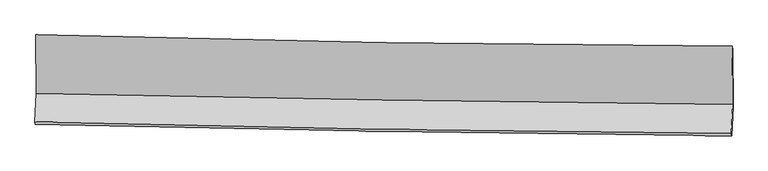
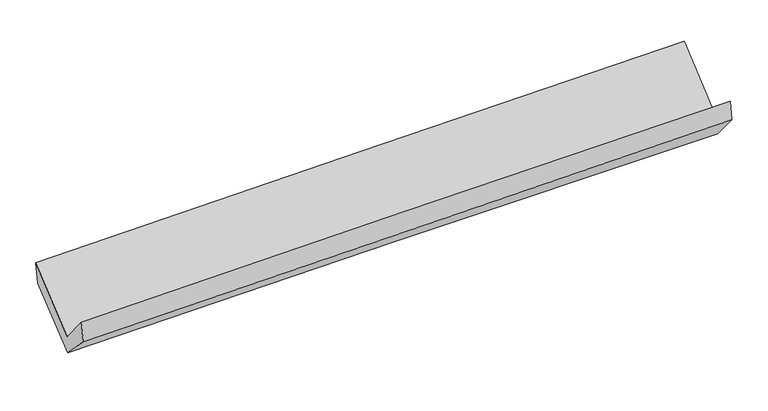
"""IFC4 building model written with IfcOpenShell, lengths in millimetres: proxy geometry."""

from ifc_helpers import new_model, si_unit, frame, origin, place, context, project, spatial, source, transform, mapped, element, save
from ifc_brep_helpers import plane_surface, spline_curve, spline_surface, advanced_brep


def generic_models_97756c32(model_context):
    return source(origin(), model_context, "Body", "AdvancedBrep", [
        advanced_brep(
        [(-3024.8276718, -1166.7125333, 2163.0971258), (-3022.3147148, -1675.309998, 1735.4715573), (3013.0636379, -1770.0183133, 1872.2588672), (3008.7357422, -1266.5582133, 2310.3901705), (-3032.8656507, -1923.1800952, 2033.1218225), (3002.3159595, -2022.5104252, 2175.459394), (-3029.0600481, -1946.8689254, 1854.6888782), (3006.2432202, -2045.4657717, 2004.4947317), (-3018.6250595, -1677.6864776, 1575.4153269), (3016.8650511, -1792.0524988, 1706.8696099), (-3020.8877886, -1195.6045521, 1975.6235017), (3013.0606748, -1295.6310825, 2120.1327559)],
        [
            (0, 1),
            (1, 2, spline_curve(3, [(-3022.3147148, -1675.309998, 1735.4715573), (-2016.610977223, -1698.874516386, 1767.954844304), (-1010.729055356, -1718.549786258, 1795.596497316), (1001.063845026, -1750.1166947, 1841.1891173), (2006.974707217, -1762.010862675, 1859.143234429), (3013.0636379, -1770.0183133, 1872.2588672)], [4, 2, 4], [0.0, 9.90499878105887, 19.80677505863943])),
            (2, 3),
            (3, 0, spline_curve(3, [(3008.7357422, -1266.5582133, 2310.3901705), (2002.811898222, -1262.111647712, 2299.909553214), (997.134788525, -1251.570236934, 2282.397965424), (-1014.053176634, -1218.292311646, 2233.304861073), (-2019.563871678, -1195.551828701, 2201.718767373), (-3024.8276718, -1166.7125333, 2163.0971258)], [4, 2, 4], [0.0, 9.901776277580561, 19.80677505863943])),
            (1, 4),
            (4, 5, spline_curve(3, [(-3032.8656507, -1923.1800952, 2033.1218225), (-2027.343261862, -1951.004985263, 2070.721098923), (-1021.568399776, -1973.195388025, 2101.383002776), (990.158967708, -2006.301832054, 2148.824346459), (1996.111309194, -2017.221539548, 2165.608299924), (3002.3159595, -2022.5104252, 2175.459394)], [4, 2, 4], [0.0, 9.906209946500196, 19.80919699548015])),
            (5, 2),
            (4, 6),
            (6, 7, spline_curve(3, [(-3029.0600481, -1946.8689254, 1854.6888782), (-2023.155294153, -1968.404236985, 1881.827860103), (-1017.179139322, -1987.389218779, 1907.883026812), (994.588663476, -2020.253174952, 1957.81760598), (2000.380264683, -2034.133808886, 1981.697723785), (3006.2432202, -2045.4657717, 2004.4947317)], [4, 2, 4], [0.0, 9.90633329838557, 19.80944365911946])),
            (7, 5),
            (6, 8),
            (8, 9, spline_curve(3, [(-3018.6250595, -1677.6864776, 1575.4153269), (-2012.771132881, -1696.587614111, 1605.6093489), (-1006.804812584, -1715.570247867, 1631.661991829), (1005.0252974, -1753.692308187, 1675.477391935), (2010.889013822, -1772.831681167, 1693.242843058), (3016.8650511, -1792.0524988, 1706.8696099)], [4, 2, 4], [0.0, 9.906472369359639, 19.80972175582209])),
            (9, 7),
            (8, 10),
            (10, 11, spline_curve(3, [(-3020.8877886, -1195.6045521, 1975.6235017), (-2015.165128224, -1213.641748224, 2003.268757074), (-1009.392942713, -1230.997135684, 2029.135492443), (1001.923243943, -1264.338868715, 2077.30408707), (2007.467212762, -1280.32565834, 2099.607102835), (3013.0606748, -1295.6310825, 2120.1327559)], [4, 2, 4], [0.0, 9.90528482072814, 19.8073470449175])),
            (11, 9),
            (10, 0),
            (3, 11),
        ],
        [
            spline_surface(3, 3, [[(-3024.8276718, -1166.7125333, 2163.0971258), (-2019.56387168, -1195.551828762, 2201.718767319), (-1014.053176712, -1218.292311491, 2233.304861046), (997.134788603, -1251.57023709, 2282.397965451), (2002.811898253, -1262.111647675, 2299.909553291), (3008.7357422, -1266.5582133, 2310.3901705)], [(-3023.990019464, -1336.245021526, 2020.555269635), (-2018.579573525, -1363.326057914, 2057.130792962), (-1012.945136207, -1385.044803125, 2087.40207311), (998.44447406, -1417.752389592, 2135.328349419), (2004.199501214, -1428.7447194, 2152.987446972), (3010.178374096, -1434.378246639, 2164.346402737)], [(-3023.152367136, -1505.777509774, 1878.013413465), (-2017.595275378, -1531.10028709, 1912.542818602), (-1011.837095756, -1551.797294743, 1941.499285186), (999.754159464, -1583.934542078, 1988.258733398), (2005.587104188, -1595.377791109, 2006.065340642), (3011.621006004, -1602.198279961, 2018.302634963)], [(-3022.3147148, -1675.309998, 1735.4715573), (-2016.610977223, -1698.874516242, 1767.954844245), (-1010.729055252, -1718.549786378, 1795.59649725), (1001.063844922, -1750.11669458, 1841.189117366), (2006.974707149, -1762.010862834, 1859.143234324), (3013.0636379, -1770.0183133, 1872.2588672)]], [4, 4], [4, 2, 4], [0.0, 2.1825332607499774], [0.0, 9.90499878105887, 19.80677505863943]),
            spline_surface(3, 3, [[(-3022.3147148, -1675.309998, 1735.4715573), (-2016.610977223, -1698.874516242, 1767.954844245), (-1010.729055252, -1718.549786378, 1795.59649725), (1001.063844922, -1750.11669458, 1841.189117366), (2006.974707149, -1762.010862834, 1859.143234324), (3013.0636379, -1770.0183133, 1872.2588672)], [(-3025.831693431, -1757.933363739, 1834.688312353), (-2020.188405407, -1782.918005912, 1868.876929102), (-1014.342170142, -1803.431653565, 1897.52533239), (997.428885864, -1835.511740483, 1943.734193765), (2003.353574521, -1847.081088406, 1961.29825618), (3009.481078438, -1854.1823506, 1973.32570947)], [(-3029.348672069, -1840.556729461, 1933.905067447), (-2023.765833598, -1866.961495563, 1969.799014002), (-1017.95528498, -1888.313520677, 1999.45416753), (993.79392686, -1920.906786312, 2046.279270165), (1999.732441879, -1932.15131398, 2063.453278026), (3005.898518962, -1938.3463879, 2074.39255173)], [(-3032.8656507, -1923.1800952, 2033.1218225), (-2027.343261782, -1951.004985233, 2070.721098859), (-1021.568399871, -1973.195387864, 2101.38300267), (990.158967802, -2006.301832215, 2148.824346565), (1996.111309251, -2017.221539553, 2165.608299882), (3002.3159595, -2022.5104252, 2175.459394)]], [4, 4], [4, 2, 4], [0.0, 1.3099817183162485], [0.0, 9.906209946500196, 19.80919699548015]),
            spline_surface(3, 3, [[(-3032.8656507, -1923.1800952, 2033.1218225), (-2027.343261782, -1951.004985233, 2070.721098859), (-1021.568399871, -1973.195387864, 2101.38300267), (990.158967802, -2006.301832215, 2148.824346565), (1996.111309251, -2017.221539553, 2165.608299882), (3002.3159595, -2022.5104252, 2175.459394)], [(-3031.597116507, -1931.076371922, 1973.644174402), (-2025.94727254, -1956.804735854, 2007.756685889), (-1020.105312982, -1977.926664806, 2036.883010693), (991.635532986, -2010.952279795, 2085.155433087), (1997.534294351, -2022.858962623, 2104.304774516), (3003.625046381, -2030.162207357, 2118.471173215)], [(-3030.328582293, -1938.972648678, 1914.166526298), (-2024.551283278, -1962.604486508, 1944.792272913), (-1018.642226091, -1982.657941791, 1972.383018676), (993.112098173, -2015.602727419, 2021.486519571), (1998.957279507, -2028.496385723, 2043.001249206), (3004.934133319, -2037.813989543, 2061.482952485)], [(-3029.0600481, -1946.8689254, 1854.6888782), (-2023.155294036, -1968.404237129, 1881.827859943), (-1017.179139203, -1987.389218733, 1907.883026699), (994.588663356, -2020.253174999, 1957.817606093), (2000.380264607, -2034.133808793, 1981.69772384), (3006.2432202, -2045.4657717, 2004.4947317)]], [4, 4], [4, 2, 4], [0.0, 0.6326067790586039], [0.0, 9.90633329838557, 19.80944365911946]),
            spline_surface(3, 3, [[(-3029.0600481, -1946.8689254, 1854.6888782), (-2023.155294036, -1968.404237129, 1881.827859943), (-1017.179139203, -1987.389218733, 1907.883026699), (994.588663356, -2020.253174999, 1957.817606093), (2000.380264607, -2034.133808793, 1981.69772384), (3006.2432202, -2045.4657717, 2004.4947317)], [(-3025.581718569, -1857.141442812, 1761.597694426), (-2019.693907024, -1877.79869613, 1789.755022871), (-1013.721030316, -1896.782895137, 1815.809348402), (998.067541397, -1931.399552677, 1863.704201348), (2003.883181037, -1947.033099608, 1885.546096933), (3009.783830522, -1960.99468073, 1905.286357762)], [(-3022.103389031, -1767.413960188, 1668.506510674), (-2016.232520005, -1787.193155095, 1697.682185822), (-1010.262921489, -1806.176571579, 1723.735670154), (1001.546419378, -1842.545930393, 1769.590796653), (2007.3860974, -1859.932390433, 1789.394470038), (3013.324440778, -1876.52358977, 1806.077983838)], [(-3018.6250595, -1677.6864776, 1575.4153269), (-2012.771132992, -1696.587614096, 1605.60934875), (-1006.804812602, -1715.570247983, 1631.661991856), (1005.025297418, -1753.692308071, 1675.477391908), (2010.88901383, -1772.831681248, 1693.242843131), (3016.8650511, -1792.0524988, 1706.8696099)]], [4, 4], [4, 2, 4], [0.0, 1.2730718172421562], [0.0, 9.906472369359639, 19.80972175582209]),
            spline_surface(3, 3, [[(-3018.6250595, -1677.6864776, 1575.4153269), (-2012.771132992, -1696.587614096, 1605.60934875), (-1006.804812602, -1715.570247983, 1631.661991856), (1005.025297418, -1753.692308071, 1675.477391908), (2010.88901383, -1772.831681248, 1693.242843131), (3016.8650511, -1792.0524988, 1706.8696099)], [(-3019.379302526, -1516.99250242, 1708.818051828), (-2013.569131423, -1535.605658771, 1738.162484871), (-1007.667522646, -1554.045877202, 1764.153158787), (1003.991279605, -1590.574495004, 1809.419623608), (2009.748413493, -1608.66300688, 1828.697596384), (3015.596925666, -1626.578693351, 1844.623991916)], [(-3020.133545574, -1356.29852728, 1842.220776772), (-2014.367129875, -1374.623703485, 1870.715621007), (-1008.530232697, -1392.521506366, 1896.644325646), (1002.957261784, -1427.456681882, 1943.361855236), (2008.607813158, -1444.494332561, 1964.152349589), (3014.328800234, -1461.104887949, 1982.378373884)], [(-3020.8877886, -1195.6045521, 1975.6235017), (-2015.165128307, -1213.64174816, 2003.268757128), (-1009.392942741, -1230.997135584, 2029.135492577), (1001.923243971, -1264.338868815, 2077.304086936), (2007.467212822, -1280.325658193, 2099.607102842), (3013.0606748, -1295.6310825, 2120.1327559)]], [4, 4], [4, 2, 4], [0.0, 2.0668255073616444], [0.0, 9.90528482072814, 19.8073470449175]),
            spline_surface(3, 3, [[(-3020.8877886, -1195.6045521, 1975.6235017), (-2015.165128307, -1213.64174816, 2003.268757128), (-1009.392942741, -1230.997135584, 2029.135492577), (1001.923243971, -1264.338868815, 2077.304086936), (2007.467212822, -1280.325658193, 2099.607102842), (3013.0606748, -1295.6310825, 2120.1327559)], [(-3022.201083003, -1185.973879181, 2038.114709756), (-2016.631376101, -1207.611775042, 2069.418760548), (-1010.946354086, -1226.762194198, 2097.191948717), (1000.32709216, -1260.082658218, 2145.668713091), (2005.915441295, -1274.254321378, 2166.374586325), (3011.619030596, -1285.940126125, 2183.5518941)], [(-3023.514377397, -1176.343206219, 2100.605917744), (-2018.097623885, -1201.58180188, 2135.568763899), (-1012.499765367, -1222.527252877, 2165.248404906), (998.730940413, -1255.826447686, 2214.033339296), (2004.36366978, -1268.18298449, 2233.142069808), (3010.177386404, -1276.249169675, 2246.9710323)], [(-3024.8276718, -1166.7125333, 2163.0971258), (-2019.56387168, -1195.551828762, 2201.718767319), (-1014.053176712, -1218.292311491, 2233.304861046), (997.134788603, -1251.57023709, 2282.397965451), (2002.811898253, -1262.111647675, 2299.909553291), (3008.7357422, -1266.5582133, 2310.3901705)]], [4, 4], [4, 2, 4], [0.0, 0.6728408560449634], [0.0, 9.903905815652944, 19.804589483414176]),
            plane_surface(frame((3010.047381, -1698.7060508, 2031.6009215), z_axis=(0.9996118685227928, -0.012896658551132128, 0.024693896140266937), x_axis=(-0.005889698143347076, 0.7685286792702366, 0.6397882310537809))),
            plane_surface(frame((-3024.763489, -1597.5604302, 1889.5697021), z_axis=(-0.9996225542827057, 0.014618270537851748, -0.023260591905651058), x_axis=(0.020765979409886993, -0.1522814343956136, -0.9881189902221101))),
        ],
        [
            (0, [[1, 2, 3, 4]]),
            (1, [[5, 6, 7, -2]]),
            (2, [[8, 9, 10, -6]]),
            (3, [[11, 12, 13, -9]]),
            (4, [[14, 15, 16, -12]]),
            (5, [[17, -4, 18, -15]]),
            (6, [[-16, -18, -3, -7, -10, -13]]),
            (7, [[-17, -14, -11, -8, -5, -1]]),
        ],
    ),
    ])


if __name__ == "__main__":
    model = new_model("IFC4")
    model_context = context("Model", 3, world=origin())
    ifc_project = project(units=[si_unit("LENGTHUNIT", "METRE", prefix="MILLI")], contexts=[model_context])
    site = spatial("IfcSite", under=ifc_project)
    building = spatial("IfcBuilding", under=site)
    placement = place(None, origin())
    generic_models_shape = generic_models_97756c32(model_context)
    element("IfcBuildingElementProxy", 1, Name="Generic Models", at=placement, inside=building, context=model_context, shape_type="MappedRepresentation", body=[
        mapped(generic_models_shape, transform((0.0, 0.0, 0.0), x_axis=(1.0, 0.0, 0.0), y_axis=(0.0, 1.0, 0.0), z_axis=(0.0, 0.0, 1.0))),
    ])
    save(model, "model.ifc")
